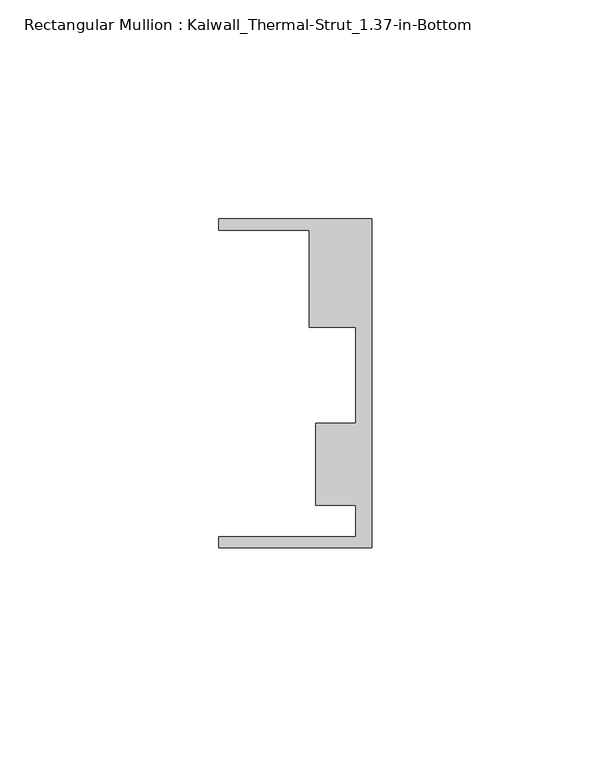
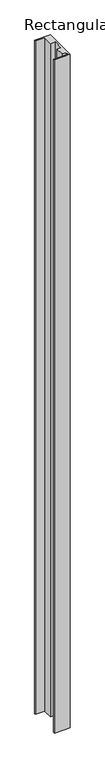
"""IFC4 building model written with IfcOpenShell, lengths in millimetres: member geometry, Rectangular Mullion : Kalwall_Thermal-Strut_1.37-in-Bottom."""

from ifc_helpers import new_model, si_unit, frame, origin, place, context, project, spatial, polyline, outline, extrude, source, transform, mapped, element, save


def rectangular_mullion_kalwall_thermal_strut_1_37_in_bottom_e2eeda11(model_context):
    return source(origin(), model_context, "Body", "SweptSolid", [
        extrude(outline(polyline([(0.0, -37.5776386), (-34.925, -37.5776386), (-34.925, -35.0376386), (-3.7084, -35.0376386), (-3.7084, -27.8888568), (-12.8272539, -27.8888568), (-12.8272539, -9.1879886), (-3.7084, -9.1879886), (-3.7084, 12.7373614), (-14.2875, 12.7373614), (-14.2875, 34.9623614), (-34.925, 34.9623614), (-34.925, 37.5023614), (0.0, 37.5023614), (0.0, -37.5776386)])), frame((0.0, 0.0, -1567.0818003), z_axis=(0.0, 0.0, 1.0), x_axis=(1.0, 0.0, 0.0)), (0.0, 0.0, 1.0), 1567.0818003),
    ])


if __name__ == "__main__":
    model = new_model("IFC4")
    model_context = context("Model", 3, world=origin())
    ifc_project = project(units=[si_unit("LENGTHUNIT", "METRE", prefix="MILLI")], contexts=[model_context])
    site = spatial("IfcSite", under=ifc_project)
    building = spatial("IfcBuilding", under=site)
    placement = place(None, origin())
    rectangular_mullion_kalwall_thermal_strut_1_37_in_bottom_shape = rectangular_mullion_kalwall_thermal_strut_1_37_in_bottom_e2eeda11(model_context)
    element("IfcMember", 1, ObjectType="Rectangular Mullion : Kalwall_Thermal-Strut_1.37-in-Bottom", at=placement, inside=building, context=model_context, shape_type="MappedRepresentation", body=[
        mapped(rectangular_mullion_kalwall_thermal_strut_1_37_in_bottom_shape, transform((0.0, 0.0, 0.0), x_axis=(1.0, 0.0, 0.0), y_axis=(0.0, 1.0, 0.0), z_axis=(0.0, 0.0, 1.0))),
    ])
    save(model, "model.ifc")
